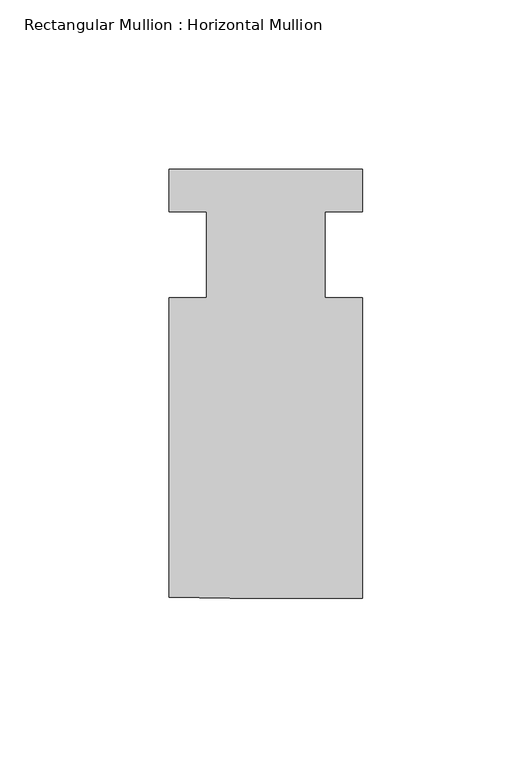
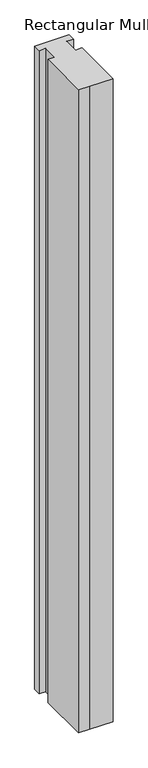
"""IFC4 building model written with IfcOpenShell, lengths in millimetres: member geometry, Rectangular Mullion : Horizontal Mullion."""

from ifc_helpers import new_model, si_unit, frame, origin, place, context, project, spatial, polyline, outline, extrude, source, transform, mapped, element, save


def rectangular_mullion_horizontal_mullion_3b236e81(model_context):
    return source(origin(), model_context, "Body", "SweptSolid", [
        extrude(outline(polyline([(-28.575, -12.6087706), (-17.4753315, -12.6087706), (-17.4753315, 12.7912294), (-28.5749344, 12.7912294), (-28.5749344, 25.4), (28.6470478, 25.4), (28.6470478, 12.8031404), (17.5130757, 12.8031404), (17.5130757, -12.5968596), (28.6247774, -12.5968596), (28.6247774, -101.3078034), (-10.4825397, -101.3078034), (-28.575, -100.9846308), (-28.575, -12.6087706)])), frame((0.0, 0.0, -1133.475), z_axis=(0.0, 0.0, 1.0), x_axis=(1.0, 0.0, 0.0)), (0.0, 0.0, 1.0), 1133.475),
    ])


if __name__ == "__main__":
    model = new_model("IFC4")
    model_context = context("Model", 3, world=origin())
    ifc_project = project(units=[si_unit("LENGTHUNIT", "METRE", prefix="MILLI")], contexts=[model_context])
    site = spatial("IfcSite", under=ifc_project)
    building = spatial("IfcBuilding", under=site)
    placement = place(None, origin())
    rectangular_mullion_horizontal_mullion_shape = rectangular_mullion_horizontal_mullion_3b236e81(model_context)
    element("IfcMember", 1, ObjectType="Rectangular Mullion : Horizontal Mullion", at=placement, inside=building, context=model_context, shape_type="MappedRepresentation", body=[
        mapped(rectangular_mullion_horizontal_mullion_shape, transform((0.0, 0.0, 0.0), x_axis=(1.0, 0.0, 0.0), y_axis=(0.0, 1.0, 0.0), z_axis=(0.0, 0.0, 1.0))),
    ])
    save(model, "model.ifc")
